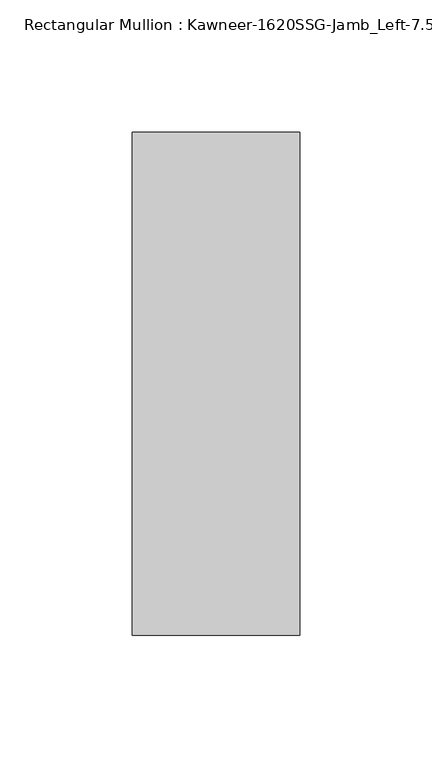
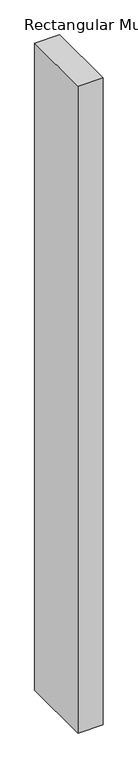
"""IFC4 building model written with IfcOpenShell, lengths in millimetres: member geometry."""

from ifc_helpers import new_model, si_unit, frame, origin, place, context, project, spatial, polyline, outline, extrude, source, transform, mapped, element, save


def member_ff60e2f7(model_context):
    return source(origin(), model_context, "Body", "SweptSolid", [
        extrude(outline(polyline([(22.225, -38.1), (-41.275, -38.1), (-41.275, 152.4), (22.225, 152.4), (22.225, -38.1)])), frame((0.0, 0.0, -1739.9), z_axis=(0.0, 0.0, 1.0), x_axis=(1.0, 0.0, 0.0)), (0.0, 0.0, 1.0), 1739.9),
    ])


if __name__ == "__main__":
    model = new_model("IFC4")
    model_context = context("Model", 3, world=origin())
    ifc_project = project(units=[si_unit("LENGTHUNIT", "METRE", prefix="MILLI")], contexts=[model_context])
    site = spatial("IfcSite", under=ifc_project)
    building = spatial("IfcBuilding", under=site)
    placement = place(None, origin())
    member_shape = member_ff60e2f7(model_context)
    element("IfcMember", 1, ObjectType="Rectangular Mullion : Kawneer-1620SSG-Jamb_Left-7.5\"-1\"Infill", at=placement, inside=building, context=model_context, shape_type="MappedRepresentation", body=[
        mapped(member_shape, transform((0.0, 0.0, 0.0), x_axis=(1.0, 0.0, 0.0), y_axis=(0.0, 1.0, 0.0), z_axis=(0.0, 0.0, 1.0))),
    ])
    save(model, "model.ifc")
